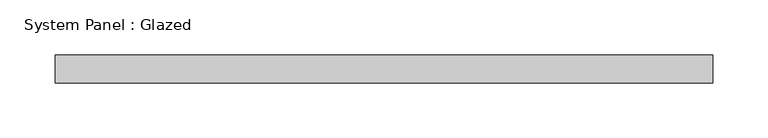
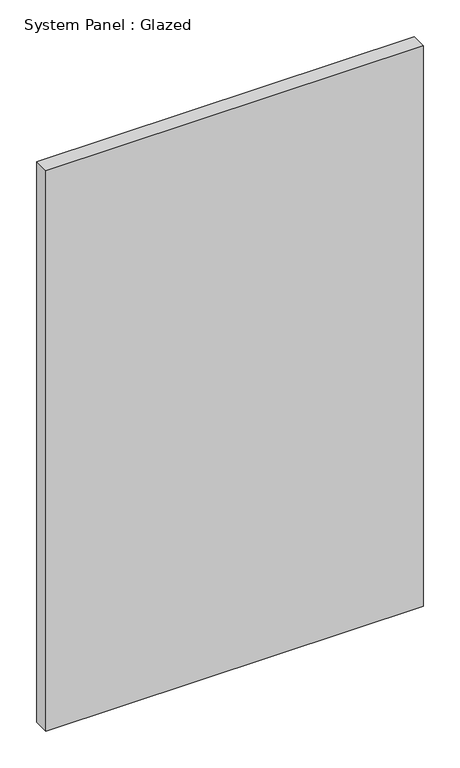
"""IFC4 building model written with IfcOpenShell, lengths in millimetres: plate geometry, System Panel : Glazed."""

from ifc_helpers import new_model, si_unit, origin, origin_with_axes, place, context, project, spatial, polyline, outline, extrude, source, transform, mapped, element, save


def system_panel_glazed_7f9ed851(model_context):
    return source(origin(), model_context, "Body", "SweptSolid", [
        extrude(outline(polyline([(298.25, 19.05), (-298.25, 19.05), (-298.25, 44.45), (298.25, 44.45), (298.25, 19.05)])), origin_with_axes(), (0.0, 0.0, 1.0), 936.5),
    ])


if __name__ == "__main__":
    model = new_model("IFC4")
    model_context = context("Model", 3, world=origin())
    ifc_project = project(units=[si_unit("LENGTHUNIT", "METRE", prefix="MILLI")], contexts=[model_context])
    site = spatial("IfcSite", under=ifc_project)
    building = spatial("IfcBuilding", under=site)
    placement = place(None, origin())
    system_panel_glazed_shape = system_panel_glazed_7f9ed851(model_context)
    element("IfcPlate", 1, ObjectType="System Panel : Glazed", at=placement, inside=building, context=model_context, shape_type="MappedRepresentation", body=[
        mapped(system_panel_glazed_shape, transform((0.0, 0.0, 0.0), x_axis=(1.0, 0.0, 0.0), y_axis=(0.0, 1.0, 0.0), z_axis=(0.0, 0.0, 1.0))),
    ])
    save(model, "model.ifc")
